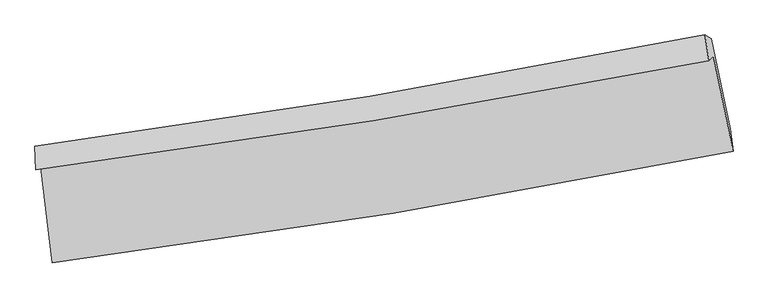
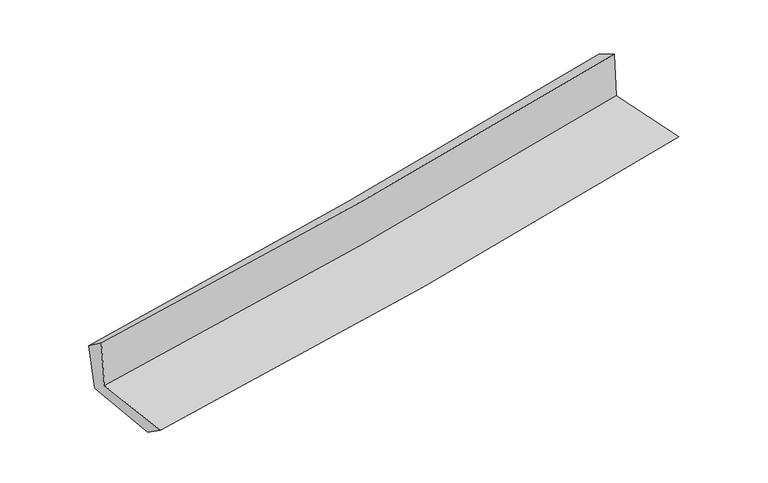
"""IFC4 building model written with IfcOpenShell, lengths in millimetres: proxy geometry."""

from ifc_helpers import new_model, si_unit, frame, origin, place, context, project, spatial, source, transform, mapped, element, save
from ifc_brep_helpers import plane_surface, spline_curve, spline_surface, advanced_brep


def generic_models_a291f9b3(model_context):
    return source(origin(), model_context, "Body", "AdvancedBrep", [
        advanced_brep(
        [(-2374.7918471, -1871.3516014, 1676.2390296), (-2297.5583163, -2539.2508487, 1663.3806049), (2459.6583221, -1759.3078516, 2099.1435989), (2321.7824117, -1095.0440133, 2106.5263635), (-2409.9815845, -1889.263807, 2077.8421033), (2290.2264175, -1127.3467299, 2501.2897324), (-2417.085602, -1723.6943862, 1951.1299893), (2262.8411075, -946.5226118, 2398.511615), (-2380.3756002, -1740.7886525, 1576.1208177), (2306.2493708, -972.1213186, 2004.8176114), (-2305.3127607, -2378.3005536, 1549.357896), (2438.1030149, -1600.5668881, 1983.2485828)],
        [
            (0, 1),
            (1, 2, spline_curve(3, [(-2297.5583163, -2539.2508487, 1663.3806049), (-1501.074664093, -2437.706036675, 1731.648054253), (-706.838019069, -2322.026705491, 1802.052449095), (878.91091317, -2062.108942565, 1947.29721996), (1670.413147813, -1917.807274729, 2022.147156499), (2459.6583221, -1759.3078516, 2099.1435989)], [4, 2, 4], [0.0, 7.883037968379431, 15.783690153682022])),
            (2, 3),
            (3, 0, spline_curve(3, [(2321.7824117, -1095.0440133, 2106.5263635), (1542.962080026, -1250.065631752, 2030.593547716), (761.731266863, -1392.326710462, 1956.732155232), (-803.804222076, -1651.039071393, 1813.312269895), (-1588.098162081, -1767.547188803, 1743.744551013), (-2374.7918471, -1871.3516014, 1676.2390296)], [4, 2, 4], [0.0, 7.900652185302591, 15.783690153682022])),
            (4, 0),
            (3, 5),
            (5, 4, spline_curve(3, [(2290.2264175, -1127.3467299, 2501.2897324), (1510.580734737, -1279.157432227, 2424.962165132), (728.634218439, -1418.612957265, 2351.474865521), (-838.112029874, -1672.530286729, 2210.33830627), (-1622.901514491, -1787.047121021, 2142.676396105), (-2409.9815845, -1889.263807, 2077.8421033)], [4, 2, 4], [0.0, 7.851200521880525, 15.684897077524328])),
            (6, 4),
            (5, 7),
            (7, 6, spline_curve(3, [(2262.8411075, -946.5226118, 2398.511615), (1486.408139626, -1101.471758393, 2325.87920527), (707.760070274, -1243.768817766, 2252.238468641), (-852.225365612, -1502.769724279, 2103.106769133), (-1633.552865948, -1619.529922719, 2027.620297061), (-2417.085602, -1723.6943862, 1951.1299893)], [4, 2, 4], [0.0, 7.8390991026607875, 15.660721218759214])),
            (8, 6),
            (7, 9),
            (9, 8, spline_curve(3, [(2306.2493708, -972.1213186, 2004.8176114), (1528.895835427, -1128.296563218, 1935.608735597), (749.228560862, -1270.49570145, 1865.23840216), (-812.990068211, -1526.655897359, 1722.334297769), (-1595.531117335, -1640.679203436, 1649.80569997), (-2380.3756002, -1740.7886525, 1576.1208177)], [4, 2, 4], [0.0, 7.829583952424941, 15.641712131969175])),
            (10, 8),
            (9, 11),
            (11, 10, spline_curve(3, [(2438.1030149, -1600.5668881, 1983.2485828), (1652.319548043, -1768.667307177, 1912.65854), (863.698875813, -1917.579593551, 1841.164602583), (-717.452352638, -2176.738685762, 1696.530347951), (-1509.970272297, -2287.070954377, 1623.394056005), (-2305.3127607, -2378.3005536, 1549.357896)], [4, 2, 4], [0.0, 7.88062315586367, 15.743676748797425])),
            (1, 10),
            (11, 2),
        ],
        [
            spline_surface(3, 3, [[(-2374.7918471, -1871.3516014, 1676.2390296), (-1588.098162039, -1767.547188898, 1743.744551075), (-803.804222161, -1651.039071489, 1813.312269932), (761.731266948, -1392.326710366, 1956.732155195), (1542.962080012, -1250.065631707, 2030.593547651), (2321.7824117, -1095.0440133, 2106.5263635)], [(-2349.047336837, -2093.984683854, 1671.952888015), (-1559.090329353, -1990.933471523, 1739.71238542), (-771.482154472, -1874.701616155, 1809.558996333), (800.791149042, -1615.587454454, 1953.587176799), (1585.445769286, -1472.646179411, 2027.778083875), (2367.74104851, -1316.465292723, 2104.06544194)], [(-2323.302826563, -2316.617766246, 1667.666746485), (-1530.082496656, -2214.319754087, 1735.680219821), (-739.1600868, -2098.364160791, 1805.80572269), (839.851031119, -1838.848198511, 1950.44219836), (1627.92945853, -1695.226727146, 2024.962620178), (2413.69968529, -1537.886572177, 2101.60452046)], [(-2297.5583163, -2539.2508487, 1663.3806049), (-1501.07466397, -2437.706036712, 1731.648054166), (-706.838019111, -2322.026705457, 1802.052449091), (878.910913213, -2062.108942599, 1947.297219965), (1670.413147804, -1917.807274849, 2022.147156402), (2459.6583221, -1759.3078516, 2099.1435989)]], [4, 4], [4, 2, 4], [0.0, 2.227568561733966], [0.0, 7.883037968379431, 15.783690153682022]),
            spline_surface(3, 3, [[(-2409.9815845, -1889.263807, 2077.8421033), (-1622.901514404, -1787.047120902, 2142.676396218), (-838.112029963, -1672.530286804, 2210.338306272), (728.634218529, -1418.61295719, 2351.474865518), (1510.58073473, -1279.157432268, 2424.962165215), (2290.2264175, -1127.3467299, 2501.2897324)], [(-2398.251672045, -1883.293071792, 1943.974412071), (-1611.30039696, -1780.54714356, 2009.699114508), (-826.676094043, -1665.366548364, 2077.996294144), (739.666567988, -1409.850874914, 2219.893962063), (1521.374516462, -1269.46016543, 2293.505959382), (2300.745082205, -1116.579157716, 2369.701942789)], [(-2386.521759555, -1877.322336608, 1810.106720829), (-1599.699279482, -1774.04716624, 1876.721832785), (-815.240158081, -1658.202809929, 1945.65428206), (750.698917488, -1401.088792642, 2088.313058651), (1532.16829828, -1259.762898545, 2162.049753484), (2311.263746995, -1105.811585484, 2238.114153111)], [(-2374.7918471, -1871.3516014, 1676.2390296), (-1588.098162039, -1767.547188898, 1743.744551075), (-803.804222161, -1651.039071489, 1813.312269932), (761.731266948, -1392.326710366, 1956.732155195), (1542.962080012, -1250.065631707, 2030.593547651), (2321.7824117, -1095.0440133, 2106.5263635)]], [4, 4], [4, 2, 4], [0.0, 1.3058777756144153], [0.0, 7.833696555643803, 15.684897077524328]),
            spline_surface(3, 3, [[(-2417.085602, -1723.6943862, 1951.1299893), (-1633.552865981, -1619.529922758, 2027.620297088), (-852.225365567, -1502.769724173, 2103.10676908), (707.760070229, -1243.768817873, 2252.238468694), (1486.408139656, -1101.471758356, 2325.879205263), (2262.8411075, -946.5226118, 2398.511615)], [(-2414.717596162, -1778.88419311, 1993.367360634), (-1630.00241545, -1675.368988782, 2065.972330132), (-847.520920374, -1559.356578382, 2138.850614814), (714.718119654, -1302.050197644, 2285.317267639), (1494.465671369, -1160.700316312, 2358.906858553), (2271.969544188, -1006.797317819, 2432.77098744)], [(-2412.349590338, -1834.07400009, 2035.604731966), (-1626.451964935, -1731.208054877, 2104.324363174), (-842.816475156, -1615.943432594, 2174.594460538), (721.676169104, -1360.331577419, 2318.396066573), (1502.523203018, -1219.928874312, 2391.934511924), (2281.097980812, -1067.072023881, 2467.03035996)], [(-2409.9815845, -1889.263807, 2077.8421033), (-1622.901514404, -1787.047120902, 2142.676396218), (-838.112029963, -1672.530286804, 2210.338306272), (728.634218529, -1418.61295719, 2351.474865518), (1510.58073473, -1279.157432268, 2424.962165215), (2290.2264175, -1127.3467299, 2501.2897324)]], [4, 4], [4, 2, 4], [0.0, 0.6614922066081205], [0.0, 7.8216221160984265, 15.660721218759214]),
            spline_surface(3, 3, [[(-2380.3756002, -1740.7886525, 1576.1208177), (-1595.531117276, -1640.679203505, 1649.805699949), (-812.990068146, -1526.655897235, 1722.334297796), (749.228560797, -1270.495701574, 1865.238402132), (1528.895835368, -1128.296563213, 1935.608735477), (2306.2493708, -972.1213186, 2004.8176114)], [(-2392.612267475, -1735.090563747, 1701.123874918), (-1608.205033519, -1633.629443269, 1775.743899014), (-826.06850062, -1518.693839552, 1849.258454903), (735.405730608, -1261.586740345, 1994.238424331), (1514.733270136, -1119.354961593, 2065.698892072), (2291.779949705, -963.588416332, 2136.048945933)], [(-2404.848934725, -1729.392474953, 1826.126932082), (-1620.878949738, -1626.579682994, 1901.682098024), (-839.146933093, -1510.731781856, 1976.182611974), (721.582900418, -1252.677779102, 2123.238446495), (1500.570704889, -1110.413359976, 2195.789048668), (2277.310528595, -955.055514068, 2267.280280467)], [(-2417.085602, -1723.6943862, 1951.1299893), (-1633.552865981, -1619.529922758, 2027.620297088), (-852.225365567, -1502.769724173, 2103.10676908), (707.760070229, -1243.768817873, 2252.238468694), (1486.408139656, -1101.471758356, 2325.879205263), (2262.8411075, -946.5226118, 2398.511615)]], [4, 4], [4, 2, 4], [0.0, 1.2691510951434615], [0.0, 7.812128179544234, 15.641712131969175]),
            spline_surface(3, 3, [[(-2305.3127607, -2378.3005536, 1549.357896), (-1509.970272407, -2287.070954503, 1623.394056121), (-717.45235274, -2176.73868567, 1696.530347847), (863.698875915, -1917.579593644, 1841.164602688), (1652.319548118, -1768.667307259, 1912.658539893), (2438.1030149, -1600.5668881, 1983.2485828)], [(-2330.333707186, -2165.796586586, 1558.278869892), (-1538.490554016, -2071.607037523, 1632.197937389), (-749.298257859, -1960.044422847, 1705.131664495), (825.542104225, -1701.884962942, 1849.189202501), (1611.178310534, -1555.21039257, 1920.308605099), (2394.151800199, -1391.085031593, 1990.438259012)], [(-2355.354653714, -1953.292619514, 1567.199843808), (-1567.010835667, -1856.143120485, 1641.001818681), (-781.144163027, -1743.350160059, 1713.732981148), (787.385332487, -1486.190332276, 1857.213802319), (1570.037072952, -1341.753477902, 1927.95867027), (2350.200585501, -1181.603175107, 1997.627935188)], [(-2380.3756002, -1740.7886525, 1576.1208177), (-1595.531117276, -1640.679203505, 1649.805699949), (-812.990068146, -1526.655897235, 1722.334297796), (749.228560797, -1270.495701574, 1865.238402132), (1528.895835368, -1128.296563213, 1935.608735477), (2306.2493708, -972.1213186, 2004.8176114)]], [4, 4], [4, 2, 4], [0.0, 2.157156882452751], [0.0, 7.863053592933754, 15.743676748797425]),
            spline_surface(3, 3, [[(-2297.5583163, -2539.2508487, 1663.3806049), (-1501.07466397, -2437.706036712, 1731.648054166), (-706.838019111, -2322.026705457, 1802.052449091), (878.910913213, -2062.108942599, 1947.297219965), (1670.413147804, -1917.807274849, 2022.147156402), (2459.6583221, -1759.3078516, 2099.1435989)], [(-2300.143131096, -2485.600750311, 1625.37303527), (-1504.039866778, -2387.494342621, 1695.563388155), (-710.376130321, -2273.597365528, 1766.87841533), (873.840234114, -2013.932492947, 1911.919680859), (1664.381947902, -1868.093952336, 1985.650950918), (2452.473219694, -1706.394197117, 2060.511926886)], [(-2302.727945904, -2431.950651989, 1587.36546563), (-1507.005069599, -2337.282648595, 1659.478722132), (-713.91424153, -2225.168025599, 1731.704381608), (868.769555014, -1965.756043295, 1876.542141793), (1658.35074802, -1818.380629772, 1949.154745377), (2445.288117306, -1653.480542583, 2021.880254814)], [(-2305.3127607, -2378.3005536, 1549.357896), (-1509.970272407, -2287.070954503, 1623.394056121), (-717.45235274, -2176.73868567, 1696.530347847), (863.698875915, -1917.579593644, 1841.164602688), (1652.319548118, -1768.667307259, 1912.658539893), (2438.1030149, -1600.5668881, 1983.2485828)]], [4, 4], [4, 2, 4], [0.0, 0.5902298116284496], [0.0, 7.921909884593807, 15.861520843280202]),
            plane_surface(frame((2346.4767741, -1250.1515689, 2182.2562507), z_axis=(0.9749659658048876, 0.20131657832995337, 0.09440869033972721), x_axis=(-0.10936655105261105, 0.06449560665762609, 0.9919068878845038))),
            plane_surface(frame((-2364.1842851, -2023.7749749, 1749.0117402), z_axis=(-0.989393300741684, -0.11264422041913842, -0.09171791566341038), x_axis=(-0.11485003208276372, 0.9931987985556265, 0.01912110557076341))),
        ],
        [
            (0, [[1, 2, 3, 4]]),
            (1, [[5, -4, 6, 7]]),
            (2, [[8, -7, 9, 10]]),
            (3, [[11, -10, 12, 13]]),
            (4, [[14, -13, 15, 16]]),
            (5, [[17, -16, 18, -2]]),
            (6, [[-12, -9, -6, -3, -18, -15]]),
            (7, [[-1, -5, -8, -11, -14, -17]]),
        ],
    ),
    ])


if __name__ == "__main__":
    model = new_model("IFC4")
    model_context = context("Model", 3, world=origin())
    ifc_project = project(units=[si_unit("LENGTHUNIT", "METRE", prefix="MILLI")], contexts=[model_context])
    site = spatial("IfcSite", under=ifc_project)
    building = spatial("IfcBuilding", under=site)
    placement = place(None, origin())
    generic_models_shape = generic_models_a291f9b3(model_context)
    element("IfcBuildingElementProxy", 1, Name="Generic Models", at=placement, inside=building, context=model_context, shape_type="MappedRepresentation", body=[
        mapped(generic_models_shape, transform((0.0, 0.0, 0.0), x_axis=(1.0, 0.0, 0.0), y_axis=(0.0, 1.0, 0.0), z_axis=(0.0, 0.0, 1.0))),
    ])
    save(model, "model.ifc")
